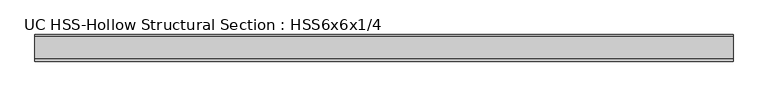
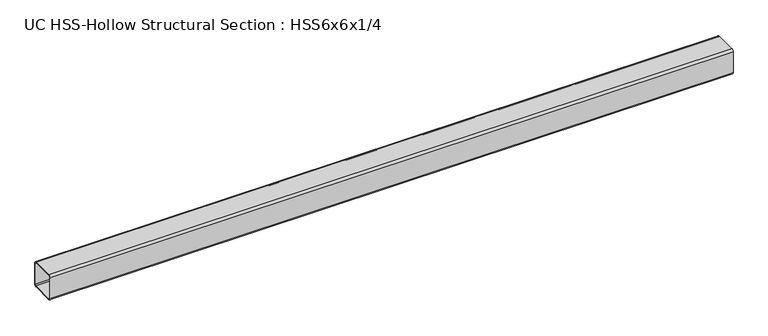
"""IFC4 building model written with IfcOpenShell, lengths in millimetres: beam geometry, UC HSS-Hollow Structural Section : HSS6x6x1/4."""

from ifc_helpers import new_model, si_unit, point, frame, frame_2d, origin, place, context, project, spatial, polyline, circle_curve, trimmed, segment, composite_curve, outline, extrude, source, transform, mapped, element, save


def uc_hss_hollow_structural_section_hss6x6x1_4_6f813392(model_context):
    return source(origin(), model_context, "Body", "SweptSolid", [
        extrude(outline(composite_curve([segment(trimmed(circle_curve(frame_2d((-64.3636, 64.3636)), 11.8364), [point((-76.2, 64.3636))], [point((-64.3636, 76.2))], False, "CARTESIAN"), True, "CONTINUOUS"), segment(polyline([(-64.3636, 76.2), (64.3636, 76.2)]), True, "CONTINUOUS"), segment(trimmed(circle_curve(frame_2d((64.3636, 64.3636)), 11.8364), [point((64.3636, 76.2))], [point((76.2, 64.3636))], False, "CARTESIAN"), True, "CONTINUOUS"), segment(polyline([(76.2, 64.3636), (76.2, -64.3636)]), True, "CONTINUOUS"), segment(trimmed(circle_curve(frame_2d((64.3636, -64.3636)), 11.8364), [point((76.2, -64.3636))], [point((64.3636, -76.2))], False, "CARTESIAN"), True, "CONTINUOUS"), segment(polyline([(64.3636, -76.2), (-64.3636, -76.2)]), True, "CONTINUOUS"), segment(trimmed(circle_curve(frame_2d((-64.3636, -64.3636)), 11.8364), [point((-64.3636, -76.2))], [point((-76.2, -64.3636))], False, "CARTESIAN"), True, "CONTINUOUS"), segment(polyline([(-76.2, -64.3636), (-76.2, 64.3636)]), True, "CONTINUOUS")], self_intersect=False), holes=[composite_curve([segment(polyline([(64.3636, 70.2818), (-64.3636, 70.2818)]), True, "CONTINUOUS"), segment(trimmed(circle_curve(frame_2d((-64.3636, 64.3636)), 5.9182), [point((-64.3636, 70.2818))], [point((-70.2818, 64.3636))], True, "CARTESIAN"), True, "CONTINUOUS"), segment(polyline([(-70.2818, 64.3636), (-70.2818, -64.3636)]), True, "CONTINUOUS"), segment(trimmed(circle_curve(frame_2d((-64.3636, -64.3636)), 5.9182), [point((-70.2818, -64.3636))], [point((-64.3636, -70.2818))], True, "CARTESIAN"), True, "CONTINUOUS"), segment(polyline([(-64.3636, -70.2818), (64.3636, -70.2818)]), True, "CONTINUOUS"), segment(trimmed(circle_curve(frame_2d((64.3636, -64.3636)), 5.9182), [point((64.3636, -70.2818))], [point((70.2818, -64.3636))], True, "CARTESIAN"), True, "CONTINUOUS"), segment(polyline([(70.2818, -64.3636), (70.2818, 64.3636)]), True, "CONTINUOUS"), segment(trimmed(circle_curve(frame_2d((64.3636, 64.3636)), 5.9182), [point((70.2818, 64.3636))], [point((64.3636, 70.2818))], True, "CARTESIAN"), True, "CONTINUOUS")], self_intersect=False)]), frame((-1999.0368975, 0.0, 0.0), z_axis=(1.0, 0.0, 0.0), x_axis=(0.0, 1.0, 0.0)), (0.0, 0.0, 1.0), 3998.0737951),
    ])


if __name__ == "__main__":
    model = new_model("IFC4")
    model_context = context("Model", 3, world=origin())
    ifc_project = project(units=[si_unit("LENGTHUNIT", "METRE", prefix="MILLI")], contexts=[model_context])
    site = spatial("IfcSite", under=ifc_project)
    building = spatial("IfcBuilding", under=site)
    placement = place(None, origin())
    uc_hss_hollow_structural_section_hss6x6x1_4_shape = uc_hss_hollow_structural_section_hss6x6x1_4_6f813392(model_context)
    element("IfcBeam", 1, ObjectType="UC HSS-Hollow Structural Section : HSS6x6x1/4", at=placement, inside=building, context=model_context, shape_type="MappedRepresentation", body=[
        mapped(uc_hss_hollow_structural_section_hss6x6x1_4_shape, transform((0.0, 0.0, 0.0), x_axis=(1.0, 0.0, 0.0), y_axis=(0.0, 1.0, 0.0), z_axis=(0.0, 0.0, 1.0))),
    ])
    save(model, "model.ifc")
